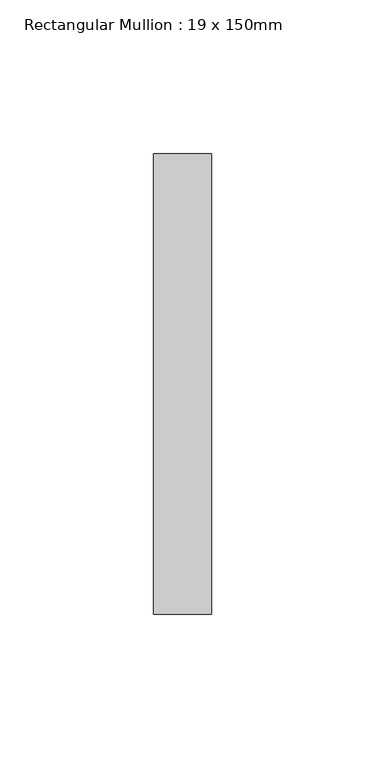
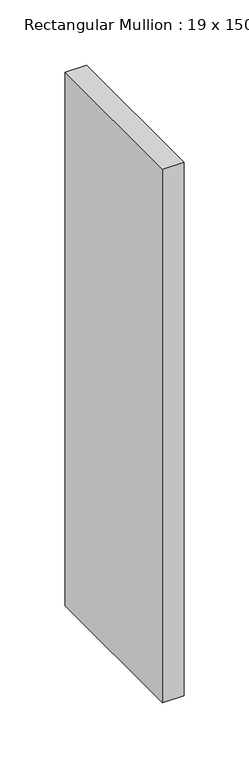
"""IFC4 building model written with IfcOpenShell, lengths in millimetres: member geometry, Rectangular Mullion : 19 x 150mm."""

from ifc_helpers import new_model, si_unit, frame, origin, place, context, project, spatial, polyline, outline, extrude, source, transform, mapped, element, save


def rectangular_mullion_19_x_150mm_1ed0aedb(model_context):
    return source(origin(), model_context, "Body", "SweptSolid", [
        extrude(outline(polyline([(9.5, -25.0), (9.5, -175.0), (-9.5, -175.0), (-9.5, -25.0), (9.5, -25.0)])), frame((0.0, 0.0, -500.0), z_axis=(0.0, 0.0, 1.0), x_axis=(1.0, 0.0, 0.0)), (0.0, 0.0, 1.0), 500.0),
    ])


if __name__ == "__main__":
    model = new_model("IFC4")
    model_context = context("Model", 3, world=origin())
    ifc_project = project(units=[si_unit("LENGTHUNIT", "METRE", prefix="MILLI")], contexts=[model_context])
    site = spatial("IfcSite", under=ifc_project)
    building = spatial("IfcBuilding", under=site)
    placement = place(None, origin())
    rectangular_mullion_19_x_150mm_shape = rectangular_mullion_19_x_150mm_1ed0aedb(model_context)
    element("IfcMember", 1, ObjectType="Rectangular Mullion : 19 x 150mm", at=placement, inside=building, context=model_context, shape_type="MappedRepresentation", body=[
        mapped(rectangular_mullion_19_x_150mm_shape, transform((0.0, 0.0, 0.0), x_axis=(1.0, 0.0, 0.0), y_axis=(0.0, 1.0, 0.0), z_axis=(0.0, 0.0, 1.0))),
    ])
    save(model, "model.ifc")
